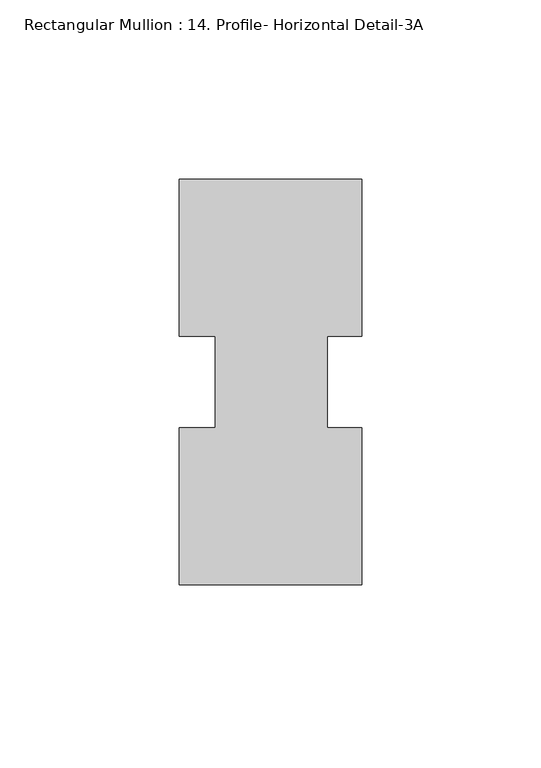
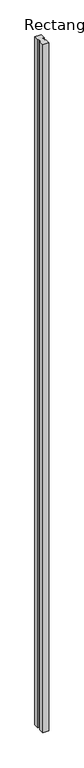
"""IFC4 building model written with IfcOpenShell, lengths in millimetres: member geometry, Rectangular Mullion : 14. Profile- Horizontal Detail-3A."""

from ifc_helpers import new_model, si_unit, frame, origin, place, context, project, spatial, polyline, outline, extrude, source, transform, mapped, element, save


def rectangular_mullion_14_profile_horizontal_detail_3a_05f20708(model_context):
    return source(origin(), model_context, "Body", "SweptSolid", [
        extrude(outline(polyline([(25.3984694, -55.0348972), (-25.4015302, -55.0413266), (-25.4070718, -11.2559931), (-15.4375774, -11.2547313), (-15.4408032, 14.2329668), (-25.4102976, 14.2317051), (-25.415842, 58.0394725), (25.4032076, 58.0459043), (25.4087512, 14.244572), (15.8647013, 14.2433641), (15.8679279, -11.2507692), (25.3929278, -11.2495637), (25.3984694, -55.0348972)])), frame((0.0, 0.0, -6000.75), z_axis=(0.0, 0.0, 1.0), x_axis=(1.0, 0.0, 0.0)), (0.0, 0.0, 1.0), 6000.75),
    ])


if __name__ == "__main__":
    model = new_model("IFC4")
    model_context = context("Model", 3, world=origin())
    ifc_project = project(units=[si_unit("LENGTHUNIT", "METRE", prefix="MILLI")], contexts=[model_context])
    site = spatial("IfcSite", under=ifc_project)
    building = spatial("IfcBuilding", under=site)
    placement = place(None, origin())
    rectangular_mullion_14_profile_horizontal_detail_3a_shape = rectangular_mullion_14_profile_horizontal_detail_3a_05f20708(model_context)
    element("IfcMember", 1, ObjectType="Rectangular Mullion : 14. Profile- Horizontal Detail-3A", at=placement, inside=building, context=model_context, shape_type="MappedRepresentation", body=[
        mapped(rectangular_mullion_14_profile_horizontal_detail_3a_shape, transform((0.0, 0.0, 0.0), x_axis=(1.0, 0.0, 0.0), y_axis=(0.0, 1.0, 0.0), z_axis=(0.0, 0.0, 1.0))),
    ])
    save(model, "model.ifc")
